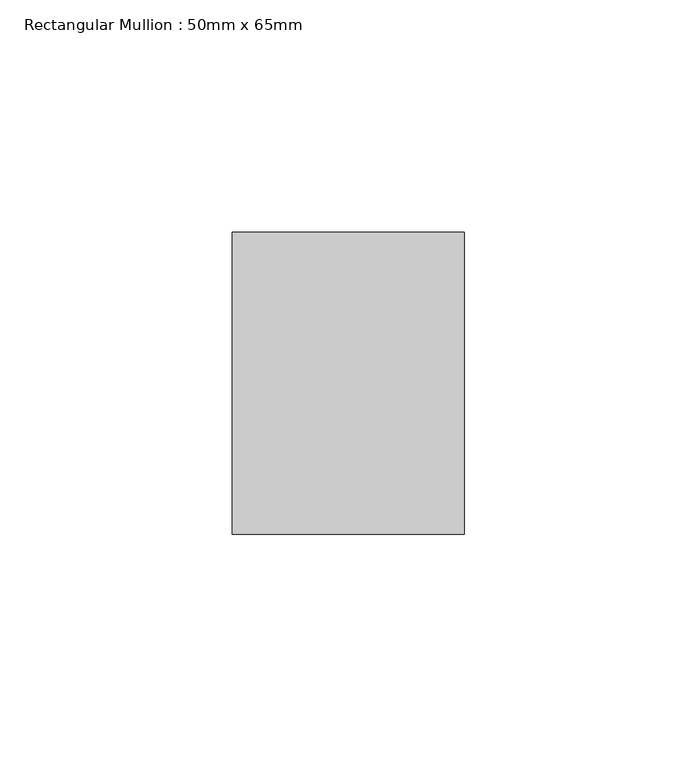
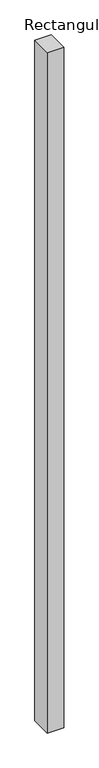
"""IFC4 building model written with IfcOpenShell, lengths in millimetres: member geometry, Rectangular Mullion : 50mm x 65mm."""

from ifc_helpers import new_model, si_unit, frame, origin, place, context, project, spatial, polyline, outline, extrude, source, transform, mapped, element, save


def rectangular_mullion_50mm_x_65mm_9ee0a97a(model_context):
    return source(origin(), model_context, "Body", "SweptSolid", [
        extrude(outline(polyline([(25.0, 32.5), (25.0, -32.5), (-25.0, -32.5), (-25.0, 32.5), (25.0, 32.5)])), frame((0.0, 0.0, -2186.974763), z_axis=(0.0, 0.0, 1.0), x_axis=(1.0, 0.0, 0.0)), (0.0, 0.0, 1.0), 2186.974763),
    ])


if __name__ == "__main__":
    model = new_model("IFC4")
    model_context = context("Model", 3, world=origin())
    ifc_project = project(units=[si_unit("LENGTHUNIT", "METRE", prefix="MILLI")], contexts=[model_context])
    site = spatial("IfcSite", under=ifc_project)
    building = spatial("IfcBuilding", under=site)
    placement = place(None, origin())
    rectangular_mullion_50mm_x_65mm_shape = rectangular_mullion_50mm_x_65mm_9ee0a97a(model_context)
    element("IfcMember", 1, ObjectType="Rectangular Mullion : 50mm x 65mm", at=placement, inside=building, context=model_context, shape_type="MappedRepresentation", body=[
        mapped(rectangular_mullion_50mm_x_65mm_shape, transform((0.0, 0.0, 0.0), x_axis=(1.0, 0.0, 0.0), y_axis=(0.0, 1.0, 0.0), z_axis=(0.0, 0.0, 1.0))),
    ])
    save(model, "model.ifc")
